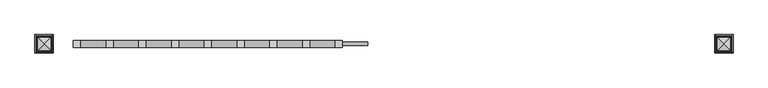
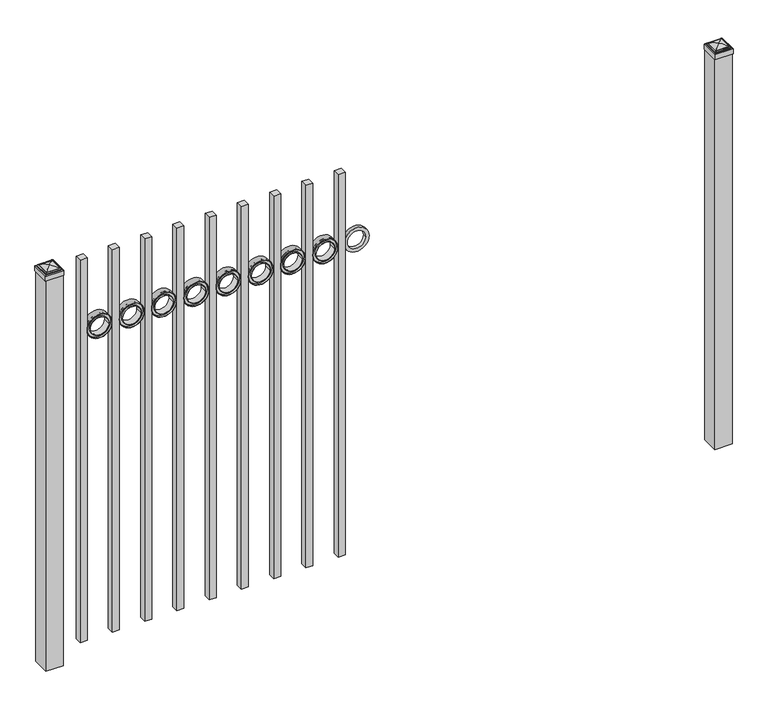
"""IFC4 building model written with IfcOpenShell, lengths in millimetres: railing geometry."""

from ifc_helpers import new_model, si_unit, point, frame, frame_2d, origin, origin_with_axes, place, context, project, spatial, polyline, circle_curve, ellipse_curve, trimmed, segment, composite_curve, outline, extrude, source, transform, mapped, element, save
from ifc_brep_helpers import plane_surface, cylinder_surface, advanced_brep


def railing_7aaad198(model_context):
    return source(origin(), model_context, "Body", "SolidModel", [
        extrude(outline(composite_curve([segment(trimmed(circle_curve(frame_2d((1245.4040076, 12601.0088655)), 45.6988591), [point((1245.4040076, 12646.7077246))], [point((1245.4040076, 12555.3100064))], False, "CARTESIAN"), True, "CONTINUOUS"), segment(trimmed(circle_curve(frame_2d((1245.4040076, 12601.0088655)), 45.6988591), [point((1245.4040076, 12555.3100064))], [point((1245.4040076, 12646.7077246))], False, "CARTESIAN"), True, "CONTINUOUS")], self_intersect=False), holes=[composite_curve([segment(trimmed(circle_curve(frame_2d((1245.4040076, 12601.0088655)), 33.0443887), [point((1245.4040076, 12634.0532542))], [point((1245.4040076, 12567.9644768))], True, "CARTESIAN"), True, "CONTINUOUS"), segment(trimmed(circle_curve(frame_2d((1245.4040076, 12601.0088655)), 33.0443887), [point((1245.4040076, 12567.9644768))], [point((1245.4040076, 12634.0532542))], True, "CARTESIAN"), True, "CONTINUOUS")], self_intersect=False)]), frame((0.0, 11886.569541, 0.0), z_axis=(0.0, 1.0, 0.0), x_axis=(0.0, 0.0, 1.0)), (0.0, 0.0, 1.0), 12.7),
        extrude(outline(polyline([(12529.9100064, 11905.619541), (12555.3100064, 11905.619541), (12555.3100064, 11880.219541), (12529.9100064, 11880.219541), (12529.9100064, 11905.619541)])), frame((0.0, 0.0, 50.8), z_axis=(0.0, 0.0, 1.0), x_axis=(1.0, 0.0, 0.0)), (0.0, 0.0, 1.0), 1473.2),
        extrude(outline(composite_curve([segment(trimmed(circle_curve(frame_2d((1245.4040076, 12483.5338655)), 45.6988591), [point((1245.4040076, 12529.2327246))], [point((1245.4040076, 12437.8350064))], False, "CARTESIAN"), True, "CONTINUOUS"), segment(trimmed(circle_curve(frame_2d((1245.4040076, 12483.5338655)), 45.6988591), [point((1245.4040076, 12437.8350064))], [point((1245.4040076, 12529.2327246))], False, "CARTESIAN"), True, "CONTINUOUS")], self_intersect=False), holes=[composite_curve([segment(trimmed(circle_curve(frame_2d((1245.4040076, 12483.5338655)), 44.101539), [point((1245.4040076, 12527.6354045))], [point((1245.4040076, 12439.4323265))], True, "CARTESIAN"), True, "CONTINUOUS"), segment(trimmed(circle_curve(frame_2d((1245.4040076, 12483.5338655)), 44.101539), [point((1245.4040076, 12439.4323265))], [point((1245.4040076, 12527.6354045))], True, "CARTESIAN"), True, "CONTINUOUS")], self_intersect=False)]), frame((0.0, 11880.219541, 0.0), z_axis=(0.0, 1.0, 0.0), x_axis=(0.0, 0.0, 1.0)), (0.0, 0.0, 1.0), 25.4),
        extrude(outline(composite_curve([segment(trimmed(circle_curve(frame_2d((1245.4040076, 12483.5338655)), 34.6370762), [point((1245.4040076, 12518.1709417))], [point((1245.4040076, 12448.8967893))], False, "CARTESIAN"), True, "CONTINUOUS"), segment(trimmed(circle_curve(frame_2d((1245.4040076, 12483.5338655)), 34.6370762), [point((1245.4040076, 12448.8967893))], [point((1245.4040076, 12518.1709417))], False, "CARTESIAN"), True, "CONTINUOUS")], self_intersect=False), holes=[composite_curve([segment(trimmed(circle_curve(frame_2d((1245.4040076, 12483.5338655)), 33.0443887), [point((1245.4040076, 12516.5782542))], [point((1245.4040076, 12450.4894768))], True, "CARTESIAN"), True, "CONTINUOUS"), segment(trimmed(circle_curve(frame_2d((1245.4040076, 12483.5338655)), 33.0443887), [point((1245.4040076, 12450.4894768))], [point((1245.4040076, 12516.5782542))], True, "CARTESIAN"), True, "CONTINUOUS")], self_intersect=False)]), frame((0.0, 11880.219541, 0.0), z_axis=(0.0, 1.0, 0.0), x_axis=(0.0, 0.0, 1.0)), (0.0, 0.0, 1.0), 25.4),
        extrude(outline(composite_curve([segment(trimmed(circle_curve(frame_2d((1245.4040076, 12483.5338655)), 45.6988591), [point((1245.4040076, 12529.2327246))], [point((1245.4040076, 12437.8350064))], False, "CARTESIAN"), True, "CONTINUOUS"), segment(trimmed(circle_curve(frame_2d((1245.4040076, 12483.5338655)), 45.6988591), [point((1245.4040076, 12437.8350064))], [point((1245.4040076, 12529.2327246))], False, "CARTESIAN"), True, "CONTINUOUS")], self_intersect=False), holes=[composite_curve([segment(trimmed(circle_curve(frame_2d((1245.4040076, 12483.5338655)), 33.0443887), [point((1245.4040076, 12516.5782542))], [point((1245.4040076, 12450.4894768))], True, "CARTESIAN"), True, "CONTINUOUS"), segment(trimmed(circle_curve(frame_2d((1245.4040076, 12483.5338655)), 33.0443887), [point((1245.4040076, 12450.4894768))], [point((1245.4040076, 12516.5782542))], True, "CARTESIAN"), True, "CONTINUOUS")], self_intersect=False)]), frame((0.0, 11886.569541, 0.0), z_axis=(0.0, 1.0, 0.0), x_axis=(0.0, 0.0, 1.0)), (0.0, 0.0, 1.0), 12.7),
        extrude(outline(polyline([(12412.4350064, 11905.619541), (12437.8350064, 11905.619541), (12437.8350064, 11880.219541), (12412.4350064, 11880.219541), (12412.4350064, 11905.619541)])), frame((0.0, 0.0, 50.8), z_axis=(0.0, 0.0, 1.0), x_axis=(1.0, 0.0, 0.0)), (0.0, 0.0, 1.0), 1473.2),
        extrude(outline(composite_curve([segment(trimmed(circle_curve(frame_2d((1245.4040076, 12366.0588655)), 45.6988591), [point((1245.4040076, 12411.7577246))], [point((1245.4040076, 12320.3600064))], False, "CARTESIAN"), True, "CONTINUOUS"), segment(trimmed(circle_curve(frame_2d((1245.4040076, 12366.0588655)), 45.6988591), [point((1245.4040076, 12320.3600064))], [point((1245.4040076, 12411.7577246))], False, "CARTESIAN"), True, "CONTINUOUS")], self_intersect=False), holes=[composite_curve([segment(trimmed(circle_curve(frame_2d((1245.4040076, 12366.0588655)), 44.101539), [point((1245.4040076, 12410.1604045))], [point((1245.4040076, 12321.9573265))], True, "CARTESIAN"), True, "CONTINUOUS"), segment(trimmed(circle_curve(frame_2d((1245.4040076, 12366.0588655)), 44.101539), [point((1245.4040076, 12321.9573265))], [point((1245.4040076, 12410.1604045))], True, "CARTESIAN"), True, "CONTINUOUS")], self_intersect=False)]), frame((0.0, 11880.219541, 0.0), z_axis=(0.0, 1.0, 0.0), x_axis=(0.0, 0.0, 1.0)), (0.0, 0.0, 1.0), 25.4),
        extrude(outline(composite_curve([segment(trimmed(circle_curve(frame_2d((1245.4040076, 12366.0588655)), 34.6370762), [point((1245.4040076, 12400.6959417))], [point((1245.4040076, 12331.4217893))], False, "CARTESIAN"), True, "CONTINUOUS"), segment(trimmed(circle_curve(frame_2d((1245.4040076, 12366.0588655)), 34.6370762), [point((1245.4040076, 12331.4217893))], [point((1245.4040076, 12400.6959417))], False, "CARTESIAN"), True, "CONTINUOUS")], self_intersect=False), holes=[composite_curve([segment(trimmed(circle_curve(frame_2d((1245.4040076, 12366.0588655)), 33.0443887), [point((1245.4040076, 12399.1032542))], [point((1245.4040076, 12333.0144768))], True, "CARTESIAN"), True, "CONTINUOUS"), segment(trimmed(circle_curve(frame_2d((1245.4040076, 12366.0588655)), 33.0443887), [point((1245.4040076, 12333.0144768))], [point((1245.4040076, 12399.1032542))], True, "CARTESIAN"), True, "CONTINUOUS")], self_intersect=False)]), frame((0.0, 11880.219541, 0.0), z_axis=(0.0, 1.0, 0.0), x_axis=(0.0, 0.0, 1.0)), (0.0, 0.0, 1.0), 25.4),
        extrude(outline(composite_curve([segment(trimmed(circle_curve(frame_2d((1245.4040076, 12366.0588655)), 45.6988591), [point((1245.4040076, 12411.7577246))], [point((1245.4040076, 12320.3600064))], False, "CARTESIAN"), True, "CONTINUOUS"), segment(trimmed(circle_curve(frame_2d((1245.4040076, 12366.0588655)), 45.6988591), [point((1245.4040076, 12320.3600064))], [point((1245.4040076, 12411.7577246))], False, "CARTESIAN"), True, "CONTINUOUS")], self_intersect=False), holes=[composite_curve([segment(trimmed(circle_curve(frame_2d((1245.4040076, 12366.0588655)), 33.0443887), [point((1245.4040076, 12399.1032542))], [point((1245.4040076, 12333.0144768))], True, "CARTESIAN"), True, "CONTINUOUS"), segment(trimmed(circle_curve(frame_2d((1245.4040076, 12366.0588655)), 33.0443887), [point((1245.4040076, 12333.0144768))], [point((1245.4040076, 12399.1032542))], True, "CARTESIAN"), True, "CONTINUOUS")], self_intersect=False)]), frame((0.0, 11886.569541, 0.0), z_axis=(0.0, 1.0, 0.0), x_axis=(0.0, 0.0, 1.0)), (0.0, 0.0, 1.0), 12.7),
        extrude(outline(polyline([(12294.9600064, 11905.619541), (12320.3600064, 11905.619541), (12320.3600064, 11880.219541), (12294.9600064, 11880.219541), (12294.9600064, 11905.619541)])), frame((0.0, 0.0, 50.8), z_axis=(0.0, 0.0, 1.0), x_axis=(1.0, 0.0, 0.0)), (0.0, 0.0, 1.0), 1473.2),
        extrude(outline(composite_curve([segment(trimmed(circle_curve(frame_2d((1245.4040076, 12248.5838655)), 45.6988591), [point((1245.4040076, 12294.2827246))], [point((1245.4040076, 12202.8850064))], False, "CARTESIAN"), True, "CONTINUOUS"), segment(trimmed(circle_curve(frame_2d((1245.4040076, 12248.5838655)), 45.6988591), [point((1245.4040076, 12202.8850064))], [point((1245.4040076, 12294.2827246))], False, "CARTESIAN"), True, "CONTINUOUS")], self_intersect=False), holes=[composite_curve([segment(trimmed(circle_curve(frame_2d((1245.4040076, 12248.5838655)), 44.101539), [point((1245.4040076, 12292.6854045))], [point((1245.4040076, 12204.4823265))], True, "CARTESIAN"), True, "CONTINUOUS"), segment(trimmed(circle_curve(frame_2d((1245.4040076, 12248.5838655)), 44.101539), [point((1245.4040076, 12204.4823265))], [point((1245.4040076, 12292.6854045))], True, "CARTESIAN"), True, "CONTINUOUS")], self_intersect=False)]), frame((0.0, 11880.219541, 0.0), z_axis=(0.0, 1.0, 0.0), x_axis=(0.0, 0.0, 1.0)), (0.0, 0.0, 1.0), 25.4),
        extrude(outline(composite_curve([segment(trimmed(circle_curve(frame_2d((1245.4040076, 12248.5838655)), 34.6370762), [point((1245.4040076, 12283.2209417))], [point((1245.4040076, 12213.9467893))], False, "CARTESIAN"), True, "CONTINUOUS"), segment(trimmed(circle_curve(frame_2d((1245.4040076, 12248.5838655)), 34.6370762), [point((1245.4040076, 12213.9467893))], [point((1245.4040076, 12283.2209417))], False, "CARTESIAN"), True, "CONTINUOUS")], self_intersect=False), holes=[composite_curve([segment(trimmed(circle_curve(frame_2d((1245.4040076, 12248.5838655)), 33.0443887), [point((1245.4040076, 12281.6282542))], [point((1245.4040076, 12215.5394768))], True, "CARTESIAN"), True, "CONTINUOUS"), segment(trimmed(circle_curve(frame_2d((1245.4040076, 12248.5838655)), 33.0443887), [point((1245.4040076, 12215.5394768))], [point((1245.4040076, 12281.6282542))], True, "CARTESIAN"), True, "CONTINUOUS")], self_intersect=False)]), frame((0.0, 11880.219541, 0.0), z_axis=(0.0, 1.0, 0.0), x_axis=(0.0, 0.0, 1.0)), (0.0, 0.0, 1.0), 25.4),
        extrude(outline(composite_curve([segment(trimmed(circle_curve(frame_2d((1245.4040076, 12248.5838655)), 45.6988591), [point((1245.4040076, 12294.2827246))], [point((1245.4040076, 12202.8850064))], False, "CARTESIAN"), True, "CONTINUOUS"), segment(trimmed(circle_curve(frame_2d((1245.4040076, 12248.5838655)), 45.6988591), [point((1245.4040076, 12202.8850064))], [point((1245.4040076, 12294.2827246))], False, "CARTESIAN"), True, "CONTINUOUS")], self_intersect=False), holes=[composite_curve([segment(trimmed(circle_curve(frame_2d((1245.4040076, 12248.5838655)), 33.0443887), [point((1245.4040076, 12281.6282542))], [point((1245.4040076, 12215.5394768))], True, "CARTESIAN"), True, "CONTINUOUS"), segment(trimmed(circle_curve(frame_2d((1245.4040076, 12248.5838655)), 33.0443887), [point((1245.4040076, 12215.5394768))], [point((1245.4040076, 12281.6282542))], True, "CARTESIAN"), True, "CONTINUOUS")], self_intersect=False)]), frame((0.0, 11886.569541, 0.0), z_axis=(0.0, 1.0, 0.0), x_axis=(0.0, 0.0, 1.0)), (0.0, 0.0, 1.0), 12.7),
        extrude(outline(polyline([(12177.4850064, 11905.619541), (12202.8850064, 11905.619541), (12202.8850064, 11880.219541), (12177.4850064, 11880.219541), (12177.4850064, 11905.619541)])), frame((0.0, 0.0, 50.8), z_axis=(0.0, 0.0, 1.0), x_axis=(1.0, 0.0, 0.0)), (0.0, 0.0, 1.0), 1473.2),
        extrude(outline(composite_curve([segment(trimmed(circle_curve(frame_2d((1245.4040076, 12131.1088655)), 45.6988591), [point((1245.4040076, 12176.8077246))], [point((1245.4040076, 12085.4100064))], False, "CARTESIAN"), True, "CONTINUOUS"), segment(trimmed(circle_curve(frame_2d((1245.4040076, 12131.1088655)), 45.6988591), [point((1245.4040076, 12085.4100064))], [point((1245.4040076, 12176.8077246))], False, "CARTESIAN"), True, "CONTINUOUS")], self_intersect=False), holes=[composite_curve([segment(trimmed(circle_curve(frame_2d((1245.4040076, 12131.1088655)), 44.101539), [point((1245.4040076, 12175.2104045))], [point((1245.4040076, 12087.0073265))], True, "CARTESIAN"), True, "CONTINUOUS"), segment(trimmed(circle_curve(frame_2d((1245.4040076, 12131.1088655)), 44.101539), [point((1245.4040076, 12087.0073265))], [point((1245.4040076, 12175.2104045))], True, "CARTESIAN"), True, "CONTINUOUS")], self_intersect=False)]), frame((0.0, 11880.219541, 0.0), z_axis=(0.0, 1.0, 0.0), x_axis=(0.0, 0.0, 1.0)), (0.0, 0.0, 1.0), 25.4),
        extrude(outline(composite_curve([segment(trimmed(circle_curve(frame_2d((1245.4040076, 12131.1088655)), 34.6370762), [point((1245.4040076, 12165.7459417))], [point((1245.4040076, 12096.4717893))], False, "CARTESIAN"), True, "CONTINUOUS"), segment(trimmed(circle_curve(frame_2d((1245.4040076, 12131.1088655)), 34.6370762), [point((1245.4040076, 12096.4717893))], [point((1245.4040076, 12165.7459417))], False, "CARTESIAN"), True, "CONTINUOUS")], self_intersect=False), holes=[composite_curve([segment(trimmed(circle_curve(frame_2d((1245.4040076, 12131.1088655)), 33.0443887), [point((1245.4040076, 12164.1532542))], [point((1245.4040076, 12098.0644768))], True, "CARTESIAN"), True, "CONTINUOUS"), segment(trimmed(circle_curve(frame_2d((1245.4040076, 12131.1088655)), 33.0443887), [point((1245.4040076, 12098.0644768))], [point((1245.4040076, 12164.1532542))], True, "CARTESIAN"), True, "CONTINUOUS")], self_intersect=False)]), frame((0.0, 11880.219541, 0.0), z_axis=(0.0, 1.0, 0.0), x_axis=(0.0, 0.0, 1.0)), (0.0, 0.0, 1.0), 25.4),
        extrude(outline(composite_curve([segment(trimmed(circle_curve(frame_2d((1245.4040076, 12131.1088655)), 45.6988591), [point((1245.4040076, 12176.8077246))], [point((1245.4040076, 12085.4100064))], False, "CARTESIAN"), True, "CONTINUOUS"), segment(trimmed(circle_curve(frame_2d((1245.4040076, 12131.1088655)), 45.6988591), [point((1245.4040076, 12085.4100064))], [point((1245.4040076, 12176.8077246))], False, "CARTESIAN"), True, "CONTINUOUS")], self_intersect=False), holes=[composite_curve([segment(trimmed(circle_curve(frame_2d((1245.4040076, 12131.1088655)), 33.0443887), [point((1245.4040076, 12164.1532542))], [point((1245.4040076, 12098.0644768))], True, "CARTESIAN"), True, "CONTINUOUS"), segment(trimmed(circle_curve(frame_2d((1245.4040076, 12131.1088655)), 33.0443887), [point((1245.4040076, 12098.0644768))], [point((1245.4040076, 12164.1532542))], True, "CARTESIAN"), True, "CONTINUOUS")], self_intersect=False)]), frame((0.0, 11886.569541, 0.0), z_axis=(0.0, 1.0, 0.0), x_axis=(0.0, 0.0, 1.0)), (0.0, 0.0, 1.0), 12.7),
        extrude(outline(polyline([(12060.0100064, 11905.619541), (12085.4100064, 11905.619541), (12085.4100064, 11880.219541), (12060.0100064, 11880.219541), (12060.0100064, 11905.619541)])), frame((0.0, 0.0, 50.8), z_axis=(0.0, 0.0, 1.0), x_axis=(1.0, 0.0, 0.0)), (0.0, 0.0, 1.0), 1473.2),
        extrude(outline(composite_curve([segment(trimmed(circle_curve(frame_2d((1245.4040076, 12013.6338655)), 45.6988591), [point((1245.4040076, 12059.3327246))], [point((1245.4040076, 11967.9350064))], False, "CARTESIAN"), True, "CONTINUOUS"), segment(trimmed(circle_curve(frame_2d((1245.4040076, 12013.6338655)), 45.6988591), [point((1245.4040076, 11967.9350064))], [point((1245.4040076, 12059.3327246))], False, "CARTESIAN"), True, "CONTINUOUS")], self_intersect=False), holes=[composite_curve([segment(trimmed(circle_curve(frame_2d((1245.4040076, 12013.6338655)), 44.101539), [point((1245.4040076, 12057.7354045))], [point((1245.4040076, 11969.5323265))], True, "CARTESIAN"), True, "CONTINUOUS"), segment(trimmed(circle_curve(frame_2d((1245.4040076, 12013.6338655)), 44.101539), [point((1245.4040076, 11969.5323265))], [point((1245.4040076, 12057.7354045))], True, "CARTESIAN"), True, "CONTINUOUS")], self_intersect=False)]), frame((0.0, 11880.219541, 0.0), z_axis=(0.0, 1.0, 0.0), x_axis=(0.0, 0.0, 1.0)), (0.0, 0.0, 1.0), 25.4),
        extrude(outline(composite_curve([segment(trimmed(circle_curve(frame_2d((1245.4040076, 12013.6338655)), 34.6370762), [point((1245.4040076, 12048.2709417))], [point((1245.4040076, 11978.9967893))], False, "CARTESIAN"), True, "CONTINUOUS"), segment(trimmed(circle_curve(frame_2d((1245.4040076, 12013.6338655)), 34.6370762), [point((1245.4040076, 11978.9967893))], [point((1245.4040076, 12048.2709417))], False, "CARTESIAN"), True, "CONTINUOUS")], self_intersect=False), holes=[composite_curve([segment(trimmed(circle_curve(frame_2d((1245.4040076, 12013.6338655)), 33.0443887), [point((1245.4040076, 12046.6782542))], [point((1245.4040076, 11980.5894768))], True, "CARTESIAN"), True, "CONTINUOUS"), segment(trimmed(circle_curve(frame_2d((1245.4040076, 12013.6338655)), 33.0443887), [point((1245.4040076, 11980.5894768))], [point((1245.4040076, 12046.6782542))], True, "CARTESIAN"), True, "CONTINUOUS")], self_intersect=False)]), frame((0.0, 11880.219541, 0.0), z_axis=(0.0, 1.0, 0.0), x_axis=(0.0, 0.0, 1.0)), (0.0, 0.0, 1.0), 25.4),
        extrude(outline(composite_curve([segment(trimmed(circle_curve(frame_2d((1245.4040076, 12013.6338655)), 45.6988591), [point((1245.4040076, 12059.3327246))], [point((1245.4040076, 11967.9350064))], False, "CARTESIAN"), True, "CONTINUOUS"), segment(trimmed(circle_curve(frame_2d((1245.4040076, 12013.6338655)), 45.6988591), [point((1245.4040076, 11967.9350064))], [point((1245.4040076, 12059.3327246))], False, "CARTESIAN"), True, "CONTINUOUS")], self_intersect=False), holes=[composite_curve([segment(trimmed(circle_curve(frame_2d((1245.4040076, 12013.6338655)), 33.0443887), [point((1245.4040076, 12046.6782542))], [point((1245.4040076, 11980.5894768))], True, "CARTESIAN"), True, "CONTINUOUS"), segment(trimmed(circle_curve(frame_2d((1245.4040076, 12013.6338655)), 33.0443887), [point((1245.4040076, 11980.5894768))], [point((1245.4040076, 12046.6782542))], True, "CARTESIAN"), True, "CONTINUOUS")], self_intersect=False)]), frame((0.0, 11886.569541, 0.0), z_axis=(0.0, 1.0, 0.0), x_axis=(0.0, 0.0, 1.0)), (0.0, 0.0, 1.0), 12.7),
        extrude(outline(polyline([(11942.5350064, 11905.619541), (11967.9350064, 11905.619541), (11967.9350064, 11880.219541), (11942.5350064, 11880.219541), (11942.5350064, 11905.619541)])), frame((0.0, 0.0, 50.8), z_axis=(0.0, 0.0, 1.0), x_axis=(1.0, 0.0, 0.0)), (0.0, 0.0, 1.0), 1473.2),
        extrude(outline(composite_curve([segment(trimmed(circle_curve(frame_2d((1245.4040076, 11896.1588655)), 45.6988591), [point((1245.4040076, 11941.8577246))], [point((1245.4040076, 11850.4600064))], False, "CARTESIAN"), True, "CONTINUOUS"), segment(trimmed(circle_curve(frame_2d((1245.4040076, 11896.1588655)), 45.6988591), [point((1245.4040076, 11850.4600064))], [point((1245.4040076, 11941.8577246))], False, "CARTESIAN"), True, "CONTINUOUS")], self_intersect=False), holes=[composite_curve([segment(trimmed(circle_curve(frame_2d((1245.4040076, 11896.1588655)), 44.101539), [point((1245.4040076, 11940.2604045))], [point((1245.4040076, 11852.0573265))], True, "CARTESIAN"), True, "CONTINUOUS"), segment(trimmed(circle_curve(frame_2d((1245.4040076, 11896.1588655)), 44.101539), [point((1245.4040076, 11852.0573265))], [point((1245.4040076, 11940.2604045))], True, "CARTESIAN"), True, "CONTINUOUS")], self_intersect=False)]), frame((0.0, 11880.219541, 0.0), z_axis=(0.0, 1.0, 0.0), x_axis=(0.0, 0.0, 1.0)), (0.0, 0.0, 1.0), 25.4),
        extrude(outline(composite_curve([segment(trimmed(circle_curve(frame_2d((1245.4040076, 11896.1588655)), 34.6370762), [point((1245.4040076, 11930.7959417))], [point((1245.4040076, 11861.5217893))], False, "CARTESIAN"), True, "CONTINUOUS"), segment(trimmed(circle_curve(frame_2d((1245.4040076, 11896.1588655)), 34.6370762), [point((1245.4040076, 11861.5217893))], [point((1245.4040076, 11930.7959417))], False, "CARTESIAN"), True, "CONTINUOUS")], self_intersect=False), holes=[composite_curve([segment(trimmed(circle_curve(frame_2d((1245.4040076, 11896.1588655)), 33.0443887), [point((1245.4040076, 11929.2032542))], [point((1245.4040076, 11863.1144768))], True, "CARTESIAN"), True, "CONTINUOUS"), segment(trimmed(circle_curve(frame_2d((1245.4040076, 11896.1588655)), 33.0443887), [point((1245.4040076, 11863.1144768))], [point((1245.4040076, 11929.2032542))], True, "CARTESIAN"), True, "CONTINUOUS")], self_intersect=False)]), frame((0.0, 11880.219541, 0.0), z_axis=(0.0, 1.0, 0.0), x_axis=(0.0, 0.0, 1.0)), (0.0, 0.0, 1.0), 25.4),
        extrude(outline(composite_curve([segment(trimmed(circle_curve(frame_2d((1245.4040076, 11896.1588655)), 45.6988591), [point((1245.4040076, 11941.8577246))], [point((1245.4040076, 11850.4600064))], False, "CARTESIAN"), True, "CONTINUOUS"), segment(trimmed(circle_curve(frame_2d((1245.4040076, 11896.1588655)), 45.6988591), [point((1245.4040076, 11850.4600064))], [point((1245.4040076, 11941.8577246))], False, "CARTESIAN"), True, "CONTINUOUS")], self_intersect=False), holes=[composite_curve([segment(trimmed(circle_curve(frame_2d((1245.4040076, 11896.1588655)), 33.0443887), [point((1245.4040076, 11929.2032542))], [point((1245.4040076, 11863.1144768))], True, "CARTESIAN"), True, "CONTINUOUS"), segment(trimmed(circle_curve(frame_2d((1245.4040076, 11896.1588655)), 33.0443887), [point((1245.4040076, 11863.1144768))], [point((1245.4040076, 11929.2032542))], True, "CARTESIAN"), True, "CONTINUOUS")], self_intersect=False)]), frame((0.0, 11886.569541, 0.0), z_axis=(0.0, 1.0, 0.0), x_axis=(0.0, 0.0, 1.0)), (0.0, 0.0, 1.0), 12.7),
        extrude(outline(polyline([(11825.0600064, 11905.619541), (11850.4600064, 11905.619541), (11850.4600064, 11880.219541), (11825.0600064, 11880.219541), (11825.0600064, 11905.619541)])), frame((0.0, 0.0, 50.8), z_axis=(0.0, 0.0, 1.0), x_axis=(1.0, 0.0, 0.0)), (0.0, 0.0, 1.0), 1473.2),
        extrude(outline(composite_curve([segment(trimmed(circle_curve(frame_2d((1245.4040076, 11778.6838655)), 45.6988591), [point((1245.4040076, 11824.3827246))], [point((1245.4040076, 11732.9850064))], False, "CARTESIAN"), True, "CONTINUOUS"), segment(trimmed(circle_curve(frame_2d((1245.4040076, 11778.6838655)), 45.6988591), [point((1245.4040076, 11732.9850064))], [point((1245.4040076, 11824.3827246))], False, "CARTESIAN"), True, "CONTINUOUS")], self_intersect=False), holes=[composite_curve([segment(trimmed(circle_curve(frame_2d((1245.4040076, 11778.6838655)), 44.101539), [point((1245.4040076, 11822.7854045))], [point((1245.4040076, 11734.5823265))], True, "CARTESIAN"), True, "CONTINUOUS"), segment(trimmed(circle_curve(frame_2d((1245.4040076, 11778.6838655)), 44.101539), [point((1245.4040076, 11734.5823265))], [point((1245.4040076, 11822.7854045))], True, "CARTESIAN"), True, "CONTINUOUS")], self_intersect=False)]), frame((0.0, 11880.219541, 0.0), z_axis=(0.0, 1.0, 0.0), x_axis=(0.0, 0.0, 1.0)), (0.0, 0.0, 1.0), 25.4),
        extrude(outline(composite_curve([segment(trimmed(circle_curve(frame_2d((1245.4040076, 11778.6838655)), 34.6370762), [point((1245.4040076, 11813.3209417))], [point((1245.4040076, 11744.0467893))], False, "CARTESIAN"), True, "CONTINUOUS"), segment(trimmed(circle_curve(frame_2d((1245.4040076, 11778.6838655)), 34.6370762), [point((1245.4040076, 11744.0467893))], [point((1245.4040076, 11813.3209417))], False, "CARTESIAN"), True, "CONTINUOUS")], self_intersect=False), holes=[composite_curve([segment(trimmed(circle_curve(frame_2d((1245.4040076, 11778.6838655)), 33.0443887), [point((1245.4040076, 11811.7282542))], [point((1245.4040076, 11745.6394768))], True, "CARTESIAN"), True, "CONTINUOUS"), segment(trimmed(circle_curve(frame_2d((1245.4040076, 11778.6838655)), 33.0443887), [point((1245.4040076, 11745.6394768))], [point((1245.4040076, 11811.7282542))], True, "CARTESIAN"), True, "CONTINUOUS")], self_intersect=False)]), frame((0.0, 11880.219541, 0.0), z_axis=(0.0, 1.0, 0.0), x_axis=(0.0, 0.0, 1.0)), (0.0, 0.0, 1.0), 25.4),
        extrude(outline(composite_curve([segment(trimmed(circle_curve(frame_2d((1245.4040076, 11778.6838655)), 45.6988591), [point((1245.4040076, 11824.3827246))], [point((1245.4040076, 11732.9850064))], False, "CARTESIAN"), True, "CONTINUOUS"), segment(trimmed(circle_curve(frame_2d((1245.4040076, 11778.6838655)), 45.6988591), [point((1245.4040076, 11732.9850064))], [point((1245.4040076, 11824.3827246))], False, "CARTESIAN"), True, "CONTINUOUS")], self_intersect=False), holes=[composite_curve([segment(trimmed(circle_curve(frame_2d((1245.4040076, 11778.6838655)), 33.0443887), [point((1245.4040076, 11811.7282542))], [point((1245.4040076, 11745.6394768))], True, "CARTESIAN"), True, "CONTINUOUS"), segment(trimmed(circle_curve(frame_2d((1245.4040076, 11778.6838655)), 33.0443887), [point((1245.4040076, 11745.6394768))], [point((1245.4040076, 11811.7282542))], True, "CARTESIAN"), True, "CONTINUOUS")], self_intersect=False)]), frame((0.0, 11886.569541, 0.0), z_axis=(0.0, 1.0, 0.0), x_axis=(0.0, 0.0, 1.0)), (0.0, 0.0, 1.0), 12.7),
        extrude(outline(polyline([(11707.5850064, 11905.619541), (11732.9850064, 11905.619541), (11732.9850064, 11880.219541), (11707.5850064, 11880.219541), (11707.5850064, 11905.619541)])), frame((0.0, 0.0, 50.8), z_axis=(0.0, 0.0, 1.0), x_axis=(1.0, 0.0, 0.0)), (0.0, 0.0, 1.0), 1473.2),
        extrude(outline(composite_curve([segment(trimmed(circle_curve(frame_2d((1245.4040076, 11661.2088655)), 45.6988591), [point((1245.4040076, 11706.9077246))], [point((1245.4040076, 11615.5100064))], False, "CARTESIAN"), True, "CONTINUOUS"), segment(trimmed(circle_curve(frame_2d((1245.4040076, 11661.2088655)), 45.6988591), [point((1245.4040076, 11615.5100064))], [point((1245.4040076, 11706.9077246))], False, "CARTESIAN"), True, "CONTINUOUS")], self_intersect=False), holes=[composite_curve([segment(trimmed(circle_curve(frame_2d((1245.4040076, 11661.2088655)), 44.101539), [point((1245.4040076, 11705.3104045))], [point((1245.4040076, 11617.1073265))], True, "CARTESIAN"), True, "CONTINUOUS"), segment(trimmed(circle_curve(frame_2d((1245.4040076, 11661.2088655)), 44.101539), [point((1245.4040076, 11617.1073265))], [point((1245.4040076, 11705.3104045))], True, "CARTESIAN"), True, "CONTINUOUS")], self_intersect=False)]), frame((0.0, 11880.219541, 0.0), z_axis=(0.0, 1.0, 0.0), x_axis=(0.0, 0.0, 1.0)), (0.0, 0.0, 1.0), 25.4),
        extrude(outline(composite_curve([segment(trimmed(circle_curve(frame_2d((1245.4040076, 11661.2088655)), 34.6370762), [point((1245.4040076, 11695.8459417))], [point((1245.4040076, 11626.5717893))], False, "CARTESIAN"), True, "CONTINUOUS"), segment(trimmed(circle_curve(frame_2d((1245.4040076, 11661.2088655)), 34.6370762), [point((1245.4040076, 11626.5717893))], [point((1245.4040076, 11695.8459417))], False, "CARTESIAN"), True, "CONTINUOUS")], self_intersect=False), holes=[composite_curve([segment(trimmed(circle_curve(frame_2d((1245.4040076, 11661.2088655)), 33.0443887), [point((1245.4040076, 11694.2532542))], [point((1245.4040076, 11628.1644768))], True, "CARTESIAN"), True, "CONTINUOUS"), segment(trimmed(circle_curve(frame_2d((1245.4040076, 11661.2088655)), 33.0443887), [point((1245.4040076, 11628.1644768))], [point((1245.4040076, 11694.2532542))], True, "CARTESIAN"), True, "CONTINUOUS")], self_intersect=False)]), frame((0.0, 11880.219541, 0.0), z_axis=(0.0, 1.0, 0.0), x_axis=(0.0, 0.0, 1.0)), (0.0, 0.0, 1.0), 25.4),
        extrude(outline(composite_curve([segment(trimmed(circle_curve(frame_2d((1245.4040076, 11661.2088655)), 45.6988591), [point((1245.4040076, 11706.9077246))], [point((1245.4040076, 11615.5100064))], False, "CARTESIAN"), True, "CONTINUOUS"), segment(trimmed(circle_curve(frame_2d((1245.4040076, 11661.2088655)), 45.6988591), [point((1245.4040076, 11615.5100064))], [point((1245.4040076, 11706.9077246))], False, "CARTESIAN"), True, "CONTINUOUS")], self_intersect=False), holes=[composite_curve([segment(trimmed(circle_curve(frame_2d((1245.4040076, 11661.2088655)), 33.0443887), [point((1245.4040076, 11694.2532542))], [point((1245.4040076, 11628.1644768))], True, "CARTESIAN"), True, "CONTINUOUS"), segment(trimmed(circle_curve(frame_2d((1245.4040076, 11661.2088655)), 33.0443887), [point((1245.4040076, 11628.1644768))], [point((1245.4040076, 11694.2532542))], True, "CARTESIAN"), True, "CONTINUOUS")], self_intersect=False)]), frame((0.0, 11886.569541, 0.0), z_axis=(0.0, 1.0, 0.0), x_axis=(0.0, 0.0, 1.0)), (0.0, 0.0, 1.0), 12.7),
        extrude(outline(polyline([(11590.1100064, 11905.619541), (11615.5100064, 11905.619541), (11615.5100064, 11880.219541), (11590.1100064, 11880.219541), (11590.1100064, 11905.619541)])), frame((0.0, 0.0, 50.8), z_axis=(0.0, 0.0, 1.0), x_axis=(1.0, 0.0, 0.0)), (0.0, 0.0, 1.0), 1473.2),
        extrude(outline(polyline([(13955.4850064, 11924.669541), (13955.4850064, 11861.169541), (13891.9850064, 11861.169541), (13891.9850064, 11924.669541), (13955.4850064, 11924.669541)])), origin_with_axes(), (0.0, 0.0, 1.0), 1503.3625),
        advanced_brep(
        [(13890.3975064, 11926.257041, 1521.61875), (13890.3975064, 11926.257041, 1503.3625), (13890.3975064, 11859.582041, 1503.3625), (13890.3975064, 11859.582041, 1521.61875), (13892.7787564, 11923.875791, 1524.0), (13892.7787564, 11861.963291, 1524.0), (13895.1600064, 11921.494541, 1526.38125), (13895.1600064, 11921.494541, 1524.0), (13895.1600064, 11864.344541, 1524.0), (13895.1600064, 11864.344541, 1526.38125), (13897.5412564, 11919.113291, 1528.7625), (13897.5412564, 11866.725791, 1528.7625), (13923.7350064, 11892.919541, 1535.1125), (13899.9225064, 11916.732041, 1528.7625), (13899.9225064, 11869.107041, 1528.7625), (13957.0725064, 11859.582041, 1503.3625), (13957.0725064, 11859.582041, 1521.61875), (13954.6912564, 11861.963291, 1524.0), (13952.3100064, 11864.344541, 1524.0), (13952.3100064, 11864.344541, 1526.38125), (13949.9287564, 11866.725791, 1528.7625), (13947.5475064, 11869.107041, 1528.7625), (13957.0725064, 11926.257041, 1503.3625), (13957.0725064, 11926.257041, 1521.61875), (13954.6912564, 11923.875791, 1524.0), (13952.3100064, 11921.494541, 1524.0), (13952.3100064, 11921.494541, 1526.38125), (13949.9287564, 11919.113291, 1528.7625), (13947.5475064, 11916.732041, 1528.7625)],
        [
            (0, 1),
            (1, 2),
            (2, 3),
            (3, 0),
            (4, 0, ellipse_curve(frame((13892.7787564, 11923.875791, 1521.61875), z_axis=(-0.70710678118655, -0.7071067811865449, 0.0), x_axis=(-0.7071067811865448, 0.7071067811865501, 0.0)), 3.367596, 2.38125)),
            (3, 5, ellipse_curve(frame((13892.7787564, 11861.963291, 1521.61875), z_axis=(-0.7071067811865449, 0.70710678118655, 0.0), x_axis=(0.7071067811865499, 0.707106781186545, 0.0)), 3.367596, 2.38125)),
            (5, 4),
            (6, 7),
            (7, 8),
            (8, 9),
            (9, 6),
            (10, 6, ellipse_curve(frame((13897.5412564, 11919.113291, 1526.38125), z_axis=(-0.70710678118655, -0.7071067811865449, 0.0), x_axis=(-0.7071067811865448, 0.7071067811865501, 0.0)), 3.367596, 2.38125)),
            (9, 11, ellipse_curve(frame((13897.5412564, 11866.725791, 1526.38125), z_axis=(-0.7071067811865449, 0.70710678118655, 0.0), x_axis=(0.7071067811865499, 0.707106781186545, 0.0)), 3.367596, 2.38125)),
            (11, 10),
            (12, 13, ellipse_curve(frame((13923.7350064, 11892.919541, 1487.2890625), z_axis=(-0.70710678118655, -0.7071067811865449, 0.0), x_axis=(-0.7071067811865448, 0.7071067811865501, 0.0)), 67.6325539, 47.8234375)),
            (13, 14),
            (14, 12, ellipse_curve(frame((13923.7350064, 11892.919541, 1487.2890625), z_axis=(-0.7071067811865449, 0.70710678118655, 0.0), x_axis=(0.7071067811865499, 0.707106781186545, 0.0)), 67.6325539, 47.8234375)),
            (2, 15),
            (15, 16),
            (16, 3),
            (16, 17, ellipse_curve(frame((13954.6912564, 11861.963291, 1521.61875), z_axis=(-0.70710678118655, -0.707106781186545, 0.0), x_axis=(-0.707106781186545, 0.70710678118655, 0.0)), 3.367596, 2.38125)),
            (17, 5),
            (8, 18),
            (18, 19),
            (19, 9),
            (19, 20, ellipse_curve(frame((13949.9287564, 11866.725791, 1526.38125), z_axis=(-0.70710678118655, -0.707106781186545, 0.0), x_axis=(-0.707106781186545, 0.70710678118655, 0.0)), 3.367596, 2.38125)),
            (20, 11),
            (14, 21),
            (21, 12, ellipse_curve(frame((13923.7350064, 11892.919541, 1487.2890625), z_axis=(-0.70710678118655, -0.707106781186545, 0.0), x_axis=(-0.707106781186545, 0.70710678118655, 0.0)), 67.6325539, 47.8234375)),
            (15, 22),
            (22, 23),
            (23, 16),
            (23, 24, ellipse_curve(frame((13954.6912564, 11923.875791, 1521.61875), z_axis=(0.707106781186545, -0.7071067811865499, 0.0), x_axis=(-0.7071067811865497, -0.7071067811865452, 0.0)), 3.367596, 2.38125)),
            (24, 17),
            (18, 25),
            (25, 26),
            (26, 19),
            (26, 27, ellipse_curve(frame((13949.9287564, 11919.113291, 1526.38125), z_axis=(0.707106781186545, -0.7071067811865499, 0.0), x_axis=(-0.7071067811865497, -0.7071067811865452, 0.0)), 3.367596, 2.38125)),
            (27, 20),
            (21, 28),
            (28, 12, ellipse_curve(frame((13923.7350064, 11892.919541, 1487.2890625), z_axis=(0.707106781186545, -0.7071067811865499, 0.0), x_axis=(-0.7071067811865497, -0.7071067811865452, 0.0)), 67.6325539, 47.8234375)),
            (22, 1),
            (0, 23),
            (4, 24),
            (7, 25),
            (6, 26),
            (10, 27),
            (13, 28),
        ],
        [
            plane_surface(frame((13890.3975064, 11926.257041, 1503.3625), z_axis=(-1.0, 0.0, 0.0), x_axis=(0.0, -1.0, 0.0))),
            cylinder_surface(frame((13892.7787564, 11924.669541, 1521.61875), z_axis=(0.0, 1.0, 0.0), x_axis=(1.0, 0.0, 0.0)), 2.38125),
            plane_surface(frame((13895.1600064, 11921.494541, 1524.0), z_axis=(-1.0, 0.0, 0.0), x_axis=(0.0, -1.0, 0.0))),
            cylinder_surface(frame((13897.5412564, 11924.669541, 1526.38125), z_axis=(0.0, 1.0, 0.0), x_axis=(1.0, 0.0, 0.0)), 2.38125),
            cylinder_surface(frame((13923.7350064, 11924.669541, 1487.2890625), z_axis=(0.0, 1.0, 0.0), x_axis=(1.0, 0.0, 0.0)), 47.8234375),
            plane_surface(frame((13890.3975064, 11859.582041, 1503.3625), z_axis=(0.0, -1.0, 0.0), x_axis=(1.0, 0.0, 0.0))),
            cylinder_surface(frame((13891.9850064, 11861.963291, 1521.61875), z_axis=(-1.0, 0.0, 0.0), x_axis=(0.0, 1.0, 0.0)), 2.38125),
            plane_surface(frame((13895.1600064, 11864.344541, 1524.0), z_axis=(0.0, -1.0, 0.0), x_axis=(1.0, 0.0, 0.0))),
            cylinder_surface(frame((13891.9850064, 11866.725791, 1526.38125), z_axis=(-1.0, 0.0, 0.0), x_axis=(0.0, 1.0, 0.0)), 2.38125),
            cylinder_surface(frame((13891.9850064, 11892.919541, 1487.2890625), z_axis=(-1.0, 0.0, 0.0), x_axis=(0.0, 1.0, 0.0)), 47.8234375),
            plane_surface(frame((13957.0725064, 11859.582041, 1503.3625), z_axis=(1.0, 0.0, 0.0), x_axis=(0.0, 1.0, 0.0))),
            cylinder_surface(frame((13954.6912564, 11861.169541, 1521.61875), z_axis=(0.0, -1.0, 0.0), x_axis=(-1.0, 0.0, 0.0)), 2.38125),
            plane_surface(frame((13952.3100064, 11864.344541, 1524.0), z_axis=(1.0, 0.0, 0.0), x_axis=(0.0, 1.0, 0.0))),
            cylinder_surface(frame((13949.9287564, 11861.169541, 1526.38125), z_axis=(0.0, -1.0, 0.0), x_axis=(-1.0, 0.0, 0.0)), 2.38125),
            cylinder_surface(frame((13923.7350064, 11861.169541, 1487.2890625), z_axis=(0.0, -1.0, 0.0), x_axis=(-1.0, 0.0, 0.0)), 47.8234375),
            plane_surface(frame((13957.0725064, 11926.257041, 1503.3625), z_axis=(0.0, 1.0, 0.0), x_axis=(-1.0, 0.0, 0.0))),
            cylinder_surface(frame((13955.4850064, 11923.875791, 1521.61875), z_axis=(1.0, 0.0, 0.0), x_axis=(0.0, -1.0, 0.0)), 2.38125),
            plane_surface(frame((13954.6912564, 11923.875791, 1524.0), z_axis=(0.0, 0.0, 1.0), x_axis=(-1.0, 0.0, 0.0))),
            plane_surface(frame((13952.3100064, 11921.494541, 1524.0), z_axis=(0.0, 1.0, 0.0), x_axis=(-1.0, 0.0, 0.0))),
            cylinder_surface(frame((13955.4850064, 11919.113291, 1526.38125), z_axis=(1.0, 0.0, 0.0), x_axis=(0.0, -1.0, 0.0)), 2.38125),
            plane_surface(frame((13949.9287564, 11919.113291, 1528.7625), z_axis=(0.0, 0.0, 1.0), x_axis=(-1.0, 0.0, 0.0))),
            cylinder_surface(frame((13955.4850064, 11892.919541, 1487.2890625), z_axis=(1.0, 0.0, 0.0), x_axis=(0.0, -1.0, 0.0)), 47.8234375),
            plane_surface(frame((13923.7350064, 11892.919541, 1503.3625), z_axis=(0.0, 0.0, -1.0), x_axis=(-1.0, 0.0, 0.0))),
        ],
        [
            (0, [[1, 2, 3, 4]]),
            (1, [[5, -4, 6, 7]]),
            (2, [[8, 9, 10, 11]]),
            (3, [[12, -11, 13, 14]]),
            (4, [[15, 16, 17]]),
            (5, [[-3, 18, 19, 20]]),
            (6, [[-6, -20, 21, 22]]),
            (7, [[-10, 23, 24, 25]]),
            (8, [[-13, -25, 26, 27]]),
            (9, [[-17, 28, 29]]),
            (10, [[-19, 30, 31, 32]]),
            (11, [[-21, -32, 33, 34]]),
            (12, [[-24, 35, 36, 37]]),
            (13, [[-26, -37, 38, 39]]),
            (14, [[-29, 40, 41]]),
            (15, [[-31, 42, -1, 43]]),
            (16, [[-33, -43, -5, 44]]),
            (17, [[-22, -34, -44, -7], [45, -35, -23, -9]]),
            (18, [[-36, -45, -8, 46]]),
            (19, [[-38, -46, -12, 47]]),
            (20, [[-27, -39, -47, -14], [48, -40, -28, -16]]),
            (21, [[-41, -48, -15]]),
            (22, [[-42, -30, -18, -2]]),
        ],
    ),
        extrude(outline(polyline([(11517.0850064, 11924.669541), (11517.0850064, 11861.169541), (11453.5850064, 11861.169541), (11453.5850064, 11924.669541), (11517.0850064, 11924.669541)])), origin_with_axes(), (0.0, 0.0, 1.0), 1503.3625),
        advanced_brep(
        [(11451.9975064, 11926.257041, 1521.61875), (11451.9975064, 11926.257041, 1503.3625), (11451.9975064, 11859.582041, 1503.3625), (11451.9975064, 11859.582041, 1521.61875), (11454.3787564, 11923.875791, 1524.0), (11454.3787564, 11861.963291, 1524.0), (11456.7600064, 11921.494541, 1526.38125), (11456.7600064, 11921.494541, 1524.0), (11456.7600064, 11864.344541, 1524.0), (11456.7600064, 11864.344541, 1526.38125), (11459.1412564, 11919.113291, 1528.7625), (11459.1412564, 11866.725791, 1528.7625), (11485.3350064, 11892.919541, 1535.1125), (11461.5225064, 11916.732041, 1528.7625), (11461.5225064, 11869.107041, 1528.7625), (11518.6725064, 11859.582041, 1503.3625), (11518.6725064, 11859.582041, 1521.61875), (11516.2912564, 11861.963291, 1524.0), (11513.9100064, 11864.344541, 1524.0), (11513.9100064, 11864.344541, 1526.38125), (11511.5287564, 11866.725791, 1528.7625), (11509.1475064, 11869.107041, 1528.7625), (11518.6725064, 11926.257041, 1503.3625), (11518.6725064, 11926.257041, 1521.61875), (11516.2912564, 11923.875791, 1524.0), (11513.9100064, 11921.494541, 1524.0), (11513.9100064, 11921.494541, 1526.38125), (11511.5287564, 11919.113291, 1528.7625), (11509.1475064, 11916.732041, 1528.7625)],
        [
            (0, 1),
            (1, 2),
            (2, 3),
            (3, 0),
            (4, 0, ellipse_curve(frame((11454.3787564, 11923.875791, 1521.61875), z_axis=(-0.70710678118655, -0.7071067811865449, 0.0), x_axis=(-0.7071067811865448, 0.7071067811865501, 0.0)), 3.367596, 2.38125)),
            (3, 5, ellipse_curve(frame((11454.3787564, 11861.963291, 1521.61875), z_axis=(-0.7071067811865449, 0.70710678118655, 0.0), x_axis=(0.7071067811865499, 0.707106781186545, 0.0)), 3.367596, 2.38125)),
            (5, 4),
            (6, 7),
            (7, 8),
            (8, 9),
            (9, 6),
            (10, 6, ellipse_curve(frame((11459.1412564, 11919.113291, 1526.38125), z_axis=(-0.70710678118655, -0.7071067811865449, 0.0), x_axis=(-0.7071067811865448, 0.7071067811865501, 0.0)), 3.367596, 2.38125)),
            (9, 11, ellipse_curve(frame((11459.1412564, 11866.725791, 1526.38125), z_axis=(-0.7071067811865449, 0.70710678118655, 0.0), x_axis=(0.7071067811865499, 0.707106781186545, 0.0)), 3.367596, 2.38125)),
            (11, 10),
            (12, 13, ellipse_curve(frame((11485.3350064, 11892.919541, 1487.2890625), z_axis=(-0.70710678118655, -0.7071067811865449, 0.0), x_axis=(-0.7071067811865448, 0.7071067811865501, 0.0)), 67.6325539, 47.8234375)),
            (13, 14),
            (14, 12, ellipse_curve(frame((11485.3350064, 11892.919541, 1487.2890625), z_axis=(-0.7071067811865449, 0.70710678118655, 0.0), x_axis=(0.7071067811865499, 0.707106781186545, 0.0)), 67.6325539, 47.8234375)),
            (2, 15),
            (15, 16),
            (16, 3),
            (16, 17, ellipse_curve(frame((11516.2912564, 11861.963291, 1521.61875), z_axis=(-0.70710678118655, -0.707106781186545, 0.0), x_axis=(-0.707106781186545, 0.70710678118655, 0.0)), 3.367596, 2.38125)),
            (17, 5),
            (8, 18),
            (18, 19),
            (19, 9),
            (19, 20, ellipse_curve(frame((11511.5287564, 11866.725791, 1526.38125), z_axis=(-0.70710678118655, -0.707106781186545, 0.0), x_axis=(-0.707106781186545, 0.70710678118655, 0.0)), 3.367596, 2.38125)),
            (20, 11),
            (14, 21),
            (21, 12, ellipse_curve(frame((11485.3350064, 11892.919541, 1487.2890625), z_axis=(-0.70710678118655, -0.707106781186545, 0.0), x_axis=(-0.707106781186545, 0.70710678118655, 0.0)), 67.6325539, 47.8234375)),
            (15, 22),
            (22, 23),
            (23, 16),
            (23, 24, ellipse_curve(frame((11516.2912564, 11923.875791, 1521.61875), z_axis=(0.707106781186545, -0.7071067811865499, 0.0), x_axis=(-0.7071067811865497, -0.7071067811865452, 0.0)), 3.367596, 2.38125)),
            (24, 17),
            (18, 25),
            (25, 26),
            (26, 19),
            (26, 27, ellipse_curve(frame((11511.5287564, 11919.113291, 1526.38125), z_axis=(0.707106781186545, -0.7071067811865499, 0.0), x_axis=(-0.7071067811865497, -0.7071067811865452, 0.0)), 3.367596, 2.38125)),
            (27, 20),
            (21, 28),
            (28, 12, ellipse_curve(frame((11485.3350064, 11892.919541, 1487.2890625), z_axis=(0.707106781186545, -0.7071067811865499, 0.0), x_axis=(-0.7071067811865497, -0.7071067811865452, 0.0)), 67.6325539, 47.8234375)),
            (22, 1),
            (0, 23),
            (4, 24),
            (7, 25),
            (6, 26),
            (10, 27),
            (13, 28),
        ],
        [
            plane_surface(frame((11451.9975064, 11926.257041, 1503.3625), z_axis=(-1.0, 0.0, 0.0), x_axis=(0.0, -1.0, 0.0))),
            cylinder_surface(frame((11454.3787564, 11924.669541, 1521.61875), z_axis=(0.0, 1.0, 0.0), x_axis=(1.0, 0.0, 0.0)), 2.38125),
            plane_surface(frame((11456.7600064, 11921.494541, 1524.0), z_axis=(-1.0, 0.0, 0.0), x_axis=(0.0, -1.0, 0.0))),
            cylinder_surface(frame((11459.1412564, 11924.669541, 1526.38125), z_axis=(0.0, 1.0, 0.0), x_axis=(1.0, 0.0, 0.0)), 2.38125),
            cylinder_surface(frame((11485.3350064, 11924.669541, 1487.2890625), z_axis=(0.0, 1.0, 0.0), x_axis=(1.0, 0.0, 0.0)), 47.8234375),
            plane_surface(frame((11451.9975064, 11859.582041, 1503.3625), z_axis=(0.0, -1.0, 0.0), x_axis=(1.0, 0.0, 0.0))),
            cylinder_surface(frame((11453.5850064, 11861.963291, 1521.61875), z_axis=(-1.0, 0.0, 0.0), x_axis=(0.0, 1.0, 0.0)), 2.38125),
            plane_surface(frame((11456.7600064, 11864.344541, 1524.0), z_axis=(0.0, -1.0, 0.0), x_axis=(1.0, 0.0, 0.0))),
            cylinder_surface(frame((11453.5850064, 11866.725791, 1526.38125), z_axis=(-1.0, 0.0, 0.0), x_axis=(0.0, 1.0, 0.0)), 2.38125),
            cylinder_surface(frame((11453.5850064, 11892.919541, 1487.2890625), z_axis=(-1.0, 0.0, 0.0), x_axis=(0.0, 1.0, 0.0)), 47.8234375),
            plane_surface(frame((11518.6725064, 11859.582041, 1503.3625), z_axis=(1.0, 0.0, 0.0), x_axis=(0.0, 1.0, 0.0))),
            cylinder_surface(frame((11516.2912564, 11861.169541, 1521.61875), z_axis=(0.0, -1.0, 0.0), x_axis=(-1.0, 0.0, 0.0)), 2.38125),
            plane_surface(frame((11513.9100064, 11864.344541, 1524.0), z_axis=(1.0, 0.0, 0.0), x_axis=(0.0, 1.0, 0.0))),
            cylinder_surface(frame((11511.5287564, 11861.169541, 1526.38125), z_axis=(0.0, -1.0, 0.0), x_axis=(-1.0, 0.0, 0.0)), 2.38125),
            cylinder_surface(frame((11485.3350064, 11861.169541, 1487.2890625), z_axis=(0.0, -1.0, 0.0), x_axis=(-1.0, 0.0, 0.0)), 47.8234375),
            plane_surface(frame((11518.6725064, 11926.257041, 1503.3625), z_axis=(0.0, 1.0, 0.0), x_axis=(-1.0, 0.0, 0.0))),
            cylinder_surface(frame((11517.0850064, 11923.875791, 1521.61875), z_axis=(1.0, 0.0, 0.0), x_axis=(0.0, -1.0, 0.0)), 2.38125),
            plane_surface(frame((11516.2912564, 11923.875791, 1524.0), z_axis=(0.0, 0.0, 1.0), x_axis=(-1.0, 0.0, 0.0))),
            plane_surface(frame((11513.9100064, 11921.494541, 1524.0), z_axis=(0.0, 1.0, 0.0), x_axis=(-1.0, 0.0, 0.0))),
            cylinder_surface(frame((11517.0850064, 11919.113291, 1526.38125), z_axis=(1.0, 0.0, 0.0), x_axis=(0.0, -1.0, 0.0)), 2.38125),
            plane_surface(frame((11511.5287564, 11919.113291, 1528.7625), z_axis=(0.0, 0.0, 1.0), x_axis=(-1.0, 0.0, 0.0))),
            cylinder_surface(frame((11517.0850064, 11892.919541, 1487.2890625), z_axis=(1.0, 0.0, 0.0), x_axis=(0.0, -1.0, 0.0)), 47.8234375),
            plane_surface(frame((11485.3350064, 11892.919541, 1503.3625), z_axis=(0.0, 0.0, -1.0), x_axis=(-1.0, 0.0, 0.0))),
        ],
        [
            (0, [[1, 2, 3, 4]]),
            (1, [[5, -4, 6, 7]]),
            (2, [[8, 9, 10, 11]]),
            (3, [[12, -11, 13, 14]]),
            (4, [[15, 16, 17]]),
            (5, [[-3, 18, 19, 20]]),
            (6, [[-6, -20, 21, 22]]),
            (7, [[-10, 23, 24, 25]]),
            (8, [[-13, -25, 26, 27]]),
            (9, [[-17, 28, 29]]),
            (10, [[-19, 30, 31, 32]]),
            (11, [[-21, -32, 33, 34]]),
            (12, [[-24, 35, 36, 37]]),
            (13, [[-26, -37, 38, 39]]),
            (14, [[-29, 40, 41]]),
            (15, [[-31, 42, -1, 43]]),
            (16, [[-33, -43, -5, 44]]),
            (17, [[-22, -34, -44, -7], [45, -35, -23, -9]]),
            (18, [[-36, -45, -8, 46]]),
            (19, [[-38, -46, -12, 47]]),
            (20, [[-27, -39, -47, -14], [48, -40, -28, -16]]),
            (21, [[-41, -48, -15]]),
            (22, [[-42, -30, -18, -2]]),
        ],
    ),
    ])


if __name__ == "__main__":
    model = new_model("IFC4")
    model_context = context("Model", 3, world=origin())
    ifc_project = project(units=[si_unit("LENGTHUNIT", "METRE", prefix="MILLI")], contexts=[model_context])
    site = spatial("IfcSite", under=ifc_project)
    building = spatial("IfcBuilding", under=site)
    placement = place(None, origin())
    railing_shape = railing_7aaad198(model_context)
    element("IfcRailing", 1, at=placement, inside=building, context=model_context, shape_type="MappedRepresentation", body=[
        mapped(railing_shape, transform((0.0, 0.0, 0.0), x_axis=(1.0, 0.0, 0.0), y_axis=(0.0, 1.0, 0.0), z_axis=(0.0, 0.0, 1.0))),
    ])
    save(model, "model.ifc")
